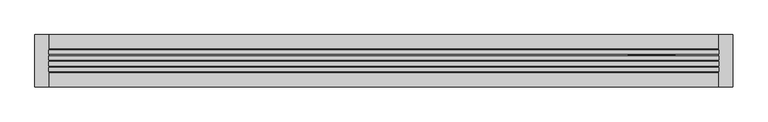
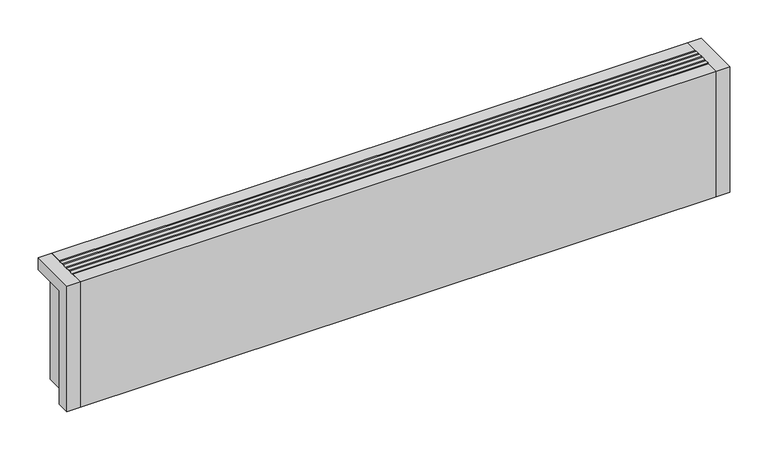
"""IFC4 building model written with IfcOpenShell, lengths in millimetres: proxy geometry."""

import ifcopenshell
import ifcopenshell.guid

model = None  # the IFC model being written
_history = None  # IfcOwnerHistory: only IFC2X3 demands one
_inside = {}  # id of a spatial element -> (the spatial element, [elements in it])
_under = {}  # id of a project, library or spatial element -> (it, [spatial elements below it])
_declared = {}  # id of a project -> (the project, [libraries it declares])
_typed = {}  # id of a type object -> (the type object, [elements of that type])
_made_of = {}  # id of a material, layer set ... -> (it, [elements and type objects made of it])


def new_model(schema):
    """Start an empty IFC model of exactly this schema.

    Asked for "IFC4X3", IfcOpenShell would pick the latest addendum, in which some entities
    have other attributes; the version numbers below select the first issue.
    IFC2X3 requires an IfcOwnerHistory on every rooted entity: one is made here for all.
    """
    global model, _history
    if schema == "IFC4X3":
        model = ifcopenshell.file(schema_version=(4, 3, 0, 0))
    else:
        model = ifcopenshell.file(schema=schema)
    _inside.clear()
    _under.clear()
    _declared.clear()
    _typed.clear()
    _made_of.clear()
    _history = None
    if model.schema == "IFC2X3":
        org = make("IfcOrganization", Name="unknown")
        user = make(
            "IfcPersonAndOrganization",
            ThePerson=make("IfcPerson", FamilyName="unknown"),
            TheOrganization=org,
        )
        app = make(
            "IfcApplication",
            ApplicationDeveloper=org,
            Version="unknown",
            ApplicationFullName="unknown",
            ApplicationIdentifier="unknown",
        )
        _history = make(
            "IfcOwnerHistory",
            OwningUser=user,
            OwningApplication=app,
            ChangeAction="ADDED",
            CreationDate=0,
        )
    return model


def make(cls, **values):
    """One entity of the class cls with the attributes given. An attribute that is None is left unset."""
    return model.create_entity(
        cls, **{name: value for name, value in values.items() if value is not None}
    )


def rooted(cls, **values):
    """An entity with a GlobalId (a new one), such as an element, a storey or a relation."""
    return make(cls, GlobalId=ifcopenshell.guid.new(), OwnerHistory=_history, **values)


def si_unit(unit_type, name, prefix=None):
    """IfcSIUnit, for example si_unit("LENGTHUNIT", "METRE", prefix="MILLI")."""
    return make("IfcSIUnit", UnitType=unit_type, Prefix=prefix, Name=name)


def assignment(units):
    """IfcUnitAssignment: the units of a project."""
    return None if units is None else make("IfcUnitAssignment", Units=units)


def point(xyz):
    """IfcCartesianPoint."""
    return None if xyz is None else make("IfcCartesianPoint", Coordinates=xyz)


def direction(xyz):
    """IfcDirection."""
    return None if xyz is None else make("IfcDirection", DirectionRatios=xyz)


def frame(location, z_axis=None, x_axis=None):
    """IfcAxis2Placement3D, a coordinate frame: its origin and axes. An axis left out is left unset."""
    return make(
        "IfcAxis2Placement3D",
        Location=point(location),
        Axis=direction(z_axis),
        RefDirection=direction(x_axis),
    )


def frame_2d(location, x_axis=None):
    """IfcAxis2Placement2D, a coordinate frame in the plane: its origin and x axis."""
    return make(
        "IfcAxis2Placement2D", Location=point(location), RefDirection=direction(x_axis)
    )


def origin():
    """The frame at (0, 0, 0) with its axes left unset."""
    return frame((0.0, 0.0, 0.0))


def origin_with_axes():
    """The frame at (0, 0, 0) with the z axis (0, 0, 1) and the x axis (1, 0, 0) written out."""
    return frame((0.0, 0.0, 0.0), z_axis=(0.0, 0.0, 1.0), x_axis=(1.0, 0.0, 0.0))


def place(relative_to, where):
    """IfcLocalPlacement: puts the frame where relative to a parent placement (None: the world)."""
    return make(
        "IfcLocalPlacement", PlacementRelTo=relative_to, RelativePlacement=where
    )


def context(
    kind, dimensions, precision=None, world=None, true_north=None, identifier=None
):
    """IfcGeometricRepresentationContext, for example the 3D "Model" context."""
    return make(
        "IfcGeometricRepresentationContext",
        ContextIdentifier=identifier,
        ContextType=kind,
        CoordinateSpaceDimension=dimensions,
        Precision=precision,
        WorldCoordinateSystem=world,
        TrueNorth=true_north,
    )


def project(units=None, contexts=None):
    """IfcProject with its units and contexts."""
    return rooted(
        "IfcProject",
        Name="project",
        RepresentationContexts=contexts,
        UnitsInContext=assignment(units),
    )


def spatial(cls, under=None, at=None, **own):
    """A site, building, storey or space (cls), placed at a placement, below another one or the project."""
    s = rooted(cls, ObjectPlacement=at, **own)
    if under is not None:
        _under.setdefault(under.id(), (under, []))[1].append(s)
    return s


def polyline(points):
    """IfcPolyline through the points."""
    return make("IfcPolyline", Points=[point(p) for p in points])


def circle_curve(where, radius):
    """IfcCircle in the frame where."""
    return make("IfcCircle", Position=where, Radius=radius)


def trimmed(basis, trim1, trim2, sense, master):
    """IfcTrimmedCurve: the piece of a basis curve between two trims."""
    return make(
        "IfcTrimmedCurve",
        BasisCurve=basis,
        Trim1=trim1,
        Trim2=trim2,
        SenseAgreement=sense,
        MasterRepresentation=master,
    )


def segment(curve, same_sense, transition):
    """IfcCompositeCurveSegment."""
    return make(
        "IfcCompositeCurveSegment",
        Transition=transition,
        SameSense=same_sense,
        ParentCurve=curve,
    )


def composite_curve(segments, self_intersect=None):
    """IfcCompositeCurve: segments joined end to end."""
    return make("IfcCompositeCurve", Segments=segments, SelfIntersect=self_intersect)


def outline(outer, holes=None, kind="AREA"):
    """IfcArbitraryClosedProfileDef: a profile drawn as a closed curve; with holes, ...WithVoids."""
    if holes is None:
        return make("IfcArbitraryClosedProfileDef", ProfileType=kind, OuterCurve=outer)
    return make(
        "IfcArbitraryProfileDefWithVoids",
        ProfileType=kind,
        OuterCurve=outer,
        InnerCurves=holes,
    )


def extrude(swept, where, along, depth):
    """IfcExtrudedAreaSolid: the profile swept, set in the frame where, extruded along a direction by depth."""
    return make(
        "IfcExtrudedAreaSolid",
        SweptArea=swept,
        Position=where,
        ExtrudedDirection=direction(along),
        Depth=depth,
    )


def shape(context_of_items, identifier, shape_type, items):
    """IfcShapeRepresentation: the items that make up one representation, for example the "Body"."""
    return make(
        "IfcShapeRepresentation",
        ContextOfItems=context_of_items,
        RepresentationIdentifier=identifier,
        RepresentationType=shape_type,
        Items=items,
    )


def source(mapping_origin, context_of_items, identifier, shape_type, items):
    """IfcRepresentationMap: a shape defined once, which mapped items show again and again."""
    return make(
        "IfcRepresentationMap",
        MappingOrigin=mapping_origin,
        MappedRepresentation=shape(context_of_items, identifier, shape_type, items),
    )


def transform(
    local_origin,
    x_axis=None,
    y_axis=None,
    z_axis=None,
    scale=None,
    scale2=None,
    scale3=None,
    uniform=True,
):
    """IfcCartesianTransformationOperator3D, or its non-uniform kind. x_axis, y_axis, z_axis: its Axis1, 2, 3."""
    if uniform:
        return make(
            "IfcCartesianTransformationOperator3D",
            Axis1=direction(x_axis),
            Axis2=direction(y_axis),
            LocalOrigin=point(local_origin),
            Scale=scale,
            Axis3=direction(z_axis),
        )
    return make(
        "IfcCartesianTransformationOperator3DnonUniform",
        Axis1=direction(x_axis),
        Axis2=direction(y_axis),
        LocalOrigin=point(local_origin),
        Scale=scale,
        Axis3=direction(z_axis),
        Scale2=scale2,
        Scale3=scale3,
    )


def mapped(mapping_source, mapping_target):
    """IfcMappedItem: shows the shape of a source again, moved by a transform."""
    return make(
        "IfcMappedItem", MappingSource=mapping_source, MappingTarget=mapping_target
    )


def made_of(thing, what):
    """Note that an element or type object is made of a material, layer set ...; save() writes the relation."""
    if what is not None:
        _made_of.setdefault(what.id(), (what, []))[1].append(thing)
    return thing


def element(
    cls,
    number,
    at=None,
    inside=None,
    cuts=None,
    type_object=None,
    material=None,
    context=None,
    identifier="Body",
    shape_type=None,
    held_by="IfcProductDefinitionShape",
    body=None,
    shapes=None,
    **own,
):
    """One element of the class cls, such as IfcWall. Its Tag is "e" and its number.

    at: its placement. inside: the storey or other place that contains it. cuts: it is an
    opening in that element (IfcRelVoidsElement). A single representation is given by context,
    identifier, shape_type and body (its items); several are given by shapes. held_by: the class
    of the entity that holds the representations. save() writes the other relations.
    """
    e = rooted(cls, Tag="e%d" % number, ObjectPlacement=at, **own)
    if body is not None:
        shapes = [shape(context, identifier, shape_type, body)]
    if shapes is not None:
        e.Representation = make(held_by, Representations=shapes)
    if inside is not None:
        _inside.setdefault(inside.id(), (inside, []))[1].append(e)
    if cuts is not None:
        rooted(
            "IfcRelVoidsElement", RelatingBuildingElement=cuts, RelatedOpeningElement=e
        )
    if type_object is not None:
        _typed.setdefault(type_object.id(), (type_object, []))[1].append(e)
    return made_of(e, material)


def aggregate(whole, parts):
    """IfcRelAggregates: a whole, such as a stair, and the parts it consists of."""
    return rooted("IfcRelAggregates", RelatingObject=whole, RelatedObjects=parts)


def save(model, path):
    """Write the relations noted so far, then the file.

    IfcRelAggregates (storeys below a building ...), IfcRelContainedInSpatialStructure (elements
    in a storey), IfcRelDefinesByType, IfcRelAssociatesMaterial and IfcRelDeclares: one each for
    every whole, place, type object, material and project.
    """
    for whole, parts in _under.values():
        aggregate(whole, parts)
    for where, things in _inside.values():
        rooted(
            "IfcRelContainedInSpatialStructure",
            RelatedElements=things,
            RelatingStructure=where,
        )
    for kind, things in _typed.values():
        rooted("IfcRelDefinesByType", RelatedObjects=things, RelatingType=kind)
    for what, things in _made_of.values():
        rooted("IfcRelAssociatesMaterial", RelatedObjects=things, RelatingMaterial=what)
    for by, libraries in _declared.values():
        rooted("IfcRelDeclares", RelatingContext=by, RelatedDefinitions=libraries)
    model.write(path)


def plane_surface(at):
    """IfcPlane: the flat surface through the origin of the frame at, square to its z axis."""
    return make("IfcPlane", Position=at)


def cylinder_surface(at, radius):
    """IfcCylindricalSurface: all points at the distance radius from the z axis of the frame at."""
    return make("IfcCylindricalSurface", Position=at, Radius=radius)


def revolved_surface(curve, axis_point, axis_direction):
    """IfcSurfaceOfRevolution: the curve turned about the line through axis_point along axis_direction."""
    return make(
        "IfcSurfaceOfRevolution",
        SweptCurve=make("IfcArbitraryOpenProfileDef", ProfileType="CURVE", Curve=curve),
        AxisPosition=make("IfcAxis1Placement", Location=point(axis_point), Axis=direction(axis_direction)),
    )


def advanced_brep(points, edges, surfaces, faces):
    """IfcAdvancedBrep: a solid bounded by faces that lie on surfaces and meet in shared edges.

    An edge is (start, end): straight between two places in points (the first is 0);
    or (start, end, curve); or (start, end, curve, False) where it runs against its curve.
    A face is (place in surfaces, loops), or (place, loops, False) where it looks against
    its surface's normal. A loop lists edges by number (the first is 1), with a minus sign
    where the edge is run from its end to its start. The first loop is the outer one.
    """
    corners = [point(p) for p in points]
    vertices = [make("IfcVertexPoint", VertexGeometry=c) for c in corners]
    made = []
    for start, end, *more in edges:
        made.append(
            make(
                "IfcEdgeCurve",
                EdgeStart=vertices[start],
                EdgeEnd=vertices[end],
                EdgeGeometry=more[0] if more else make("IfcPolyline", Points=[corners[start], corners[end]]),
                SameSense=more[1] if len(more) > 1 else True,
            )
        )
    hull = []
    for where, loops, *sense in faces:
        bounds = []
        for j, loop in enumerate(loops):
            ring = [make("IfcOrientedEdge", EdgeElement=made[abs(k) - 1], Orientation=k > 0) for k in loop]
            bounds.append(
                make(
                    "IfcFaceOuterBound" if j == 0 else "IfcFaceBound",
                    Bound=make("IfcEdgeLoop", EdgeList=ring),
                    Orientation=True,
                )
            )
        hull.append(make("IfcAdvancedFace", Bounds=bounds, FaceSurface=surfaces[where], SameSense=sense[0] if sense else True))
    return make("IfcAdvancedBrep", Outer=make("IfcClosedShell", CfsFaces=hull))


def mechanical_equipment_61b9959f(model_context):
    return source(origin(), model_context, "Body", "SolidModel", [
        advanced_brep(
        [(850.0, 7.5, 19.5), (850.0, 7.5, 34.5), (916.0, 7.5, 19.5), (916.0, 7.5, 34.5), (917.0, 7.5, 19.5), (917.0, 7.5, 34.5)],
        [
            (0, 1, circle_curve(frame((850.0, 7.5, 27.0), z_axis=(-1.0, 0.0, 0.0), x_axis=(0.0, 0.0, 1.0)), 7.5)),
            (1, 0, circle_curve(frame((850.0, 7.5, 27.0), z_axis=(-1.0, 0.0, 0.0), x_axis=(0.0, 0.0, 1.0)), 7.5)),
            (0, 2),
            (2, 3, circle_curve(frame((916.0, 7.5, 27.0), z_axis=(-1.0, 0.0, 0.0), x_axis=(0.0, 0.0, 1.0)), 7.5)),
            (3, 1),
            (3, 2, circle_curve(frame((916.0, 7.5, 27.0), z_axis=(-1.0, 0.0, 0.0), x_axis=(0.0, 0.0, 1.0)), 7.5)),
            (4, 5, circle_curve(frame((917.0, 7.5, 27.0), z_axis=(1.0, 0.0, 0.0), x_axis=(0.0, 0.0, 1.0)), 7.5)),
            (5, 4, circle_curve(frame((917.0, 7.5, 27.0), z_axis=(1.0, 0.0, 0.0), x_axis=(0.0, 0.0, 1.0)), 7.5)),
            (2, 4),
            (5, 3),
        ],
        [
            plane_surface(frame((850.0, 7.5, 27.0), z_axis=(-1.0, 0.0, 0.0), x_axis=(0.0, -1.0, 0.0))),
            cylinder_surface(frame((850.0, 7.5, 27.0), z_axis=(-1.0, 0.0, 0.0), x_axis=(0.0, 0.0, 1.0)), 7.5),
            plane_surface(frame((917.0, 7.5, 27.0), z_axis=(1.0, 0.0, 0.0), x_axis=(0.0, -1.0, 0.0))),
            cylinder_surface(frame((916.0, 7.5, 27.0), z_axis=(-1.0, 0.0, 0.0), x_axis=(0.0, 0.0, 1.0)), 7.5),
        ],
        [
            (0, [[1, 2]]),
            (1, [[-1, 3, 4, 5]]),
            (1, [[-2, -5, 6, -3]]),
            (2, [[7, 8]]),
            (3, [[-4, 9, -8, 10]]),
            (3, [[-6, -10, -7, -9]]),
        ],
    ),
        advanced_brep(
        [(850.0, 7.5, 69.5), (850.0, 7.5, 84.5), (916.0, 7.5, 69.5), (916.0, 7.5, 84.5), (917.0, 7.5, 69.5), (917.0, 7.5, 84.5)],
        [
            (0, 1, circle_curve(frame((850.0, 7.5, 77.0), z_axis=(-1.0, 0.0, 0.0), x_axis=(0.0, 0.0, 1.0)), 7.5)),
            (1, 0, circle_curve(frame((850.0, 7.5, 77.0), z_axis=(-1.0, 0.0, 0.0), x_axis=(0.0, 0.0, 1.0)), 7.5)),
            (0, 2),
            (2, 3, circle_curve(frame((916.0, 7.5, 77.0), z_axis=(-1.0, 0.0, 0.0), x_axis=(0.0, 0.0, 1.0)), 7.5)),
            (3, 1),
            (3, 2, circle_curve(frame((916.0, 7.5, 77.0), z_axis=(-1.0, 0.0, 0.0), x_axis=(0.0, 0.0, 1.0)), 7.5)),
            (4, 5, circle_curve(frame((917.0, 7.5, 77.0), z_axis=(1.0, 0.0, 0.0), x_axis=(0.0, 0.0, 1.0)), 7.5)),
            (5, 4, circle_curve(frame((917.0, 7.5, 77.0), z_axis=(1.0, 0.0, 0.0), x_axis=(0.0, 0.0, 1.0)), 7.5)),
            (2, 4),
            (5, 3),
        ],
        [
            plane_surface(frame((850.0, 7.5, 77.0), z_axis=(-1.0, 0.0, 0.0), x_axis=(0.0, -1.0, 0.0))),
            cylinder_surface(frame((850.0, 7.5, 77.0), z_axis=(-1.0, 0.0, 0.0), x_axis=(0.0, 0.0, 1.0)), 7.5),
            plane_surface(frame((917.0, 7.5, 77.0), z_axis=(1.0, 0.0, 0.0), x_axis=(0.0, -1.0, 0.0))),
            cylinder_surface(frame((916.0, 7.5, 77.0), z_axis=(-1.0, 0.0, 0.0), x_axis=(0.0, 0.0, 1.0)), 7.5),
        ],
        [
            (0, [[1, 2]]),
            (1, [[-1, 3, 4, 5]]),
            (1, [[-2, -5, 6, -3]]),
            (2, [[7, 8]]),
            (3, [[-4, 9, -8, 10]]),
            (3, [[-6, -10, -7, -9]]),
        ],
    ),
        extrude(outline(polyline([(20.0, -1.1666667), (980.0, -1.1666667), (980.0, -7.1666667), (20.0, -7.1666667), (20.0, -1.1666667)])), frame((0.0, 0.0, 182.0), z_axis=(0.0, 0.0, 1.0), x_axis=(1.0, 0.0, 0.0)), (0.0, 0.0, 1.0), 18.0),
        extrude(outline(polyline([(20.0, 7.1666667), (980.0, 7.1666667), (980.0, 1.1666667), (20.0, 1.1666667), (20.0, 7.1666667)])), frame((0.0, 0.0, 182.0), z_axis=(0.0, 0.0, 1.0), x_axis=(1.0, 0.0, 0.0)), (0.0, 0.0, 1.0), 18.0),
        extrude(outline(polyline([(20.0, -9.5), (980.0, -9.5), (980.0, -15.5), (20.0, -15.5), (20.0, -9.5)])), frame((0.0, 0.0, 182.0), z_axis=(0.0, 0.0, 1.0), x_axis=(1.0, 0.0, 0.0)), (0.0, 0.0, 1.0), 18.0),
        extrude(outline(polyline([(20.0, 15.5), (980.0, 15.5), (980.0, 9.5), (20.0, 9.5), (20.0, 15.5)])), frame((0.0, 0.0, 182.0), z_axis=(0.0, 0.0, 1.0), x_axis=(1.0, 0.0, 0.0)), (0.0, 0.0, 1.0), 18.0),
        extrude(outline(polyline([(980.0, 17.5), (20.0, 17.5), (20.0, 37.5), (980.0, 37.5), (980.0, 17.5)])), origin_with_axes(), (0.0, 0.0, 1.0), 181.0),
        advanced_brep(
        [(980.0, -37.5, 200.0), (1000.0, -37.5, 200.0), (1000.0, 37.5, 200.0), (980.0, 37.5, 200.0), (20.0, 37.5, 200.0), (0.0, 37.5, 200.0), (0.0, -37.5, 200.0), (20.0, -37.5, 200.0), (20.0, -37.5, 0.0), (0.0, -37.5, 0.0), (0.0, -17.5, 0.0), (18.0, -17.5, 0.0), (18.0, 37.5, 0.0), (20.0, 37.5, 0.0), (20.0, 17.5, 0.0), (894.0, 17.5, 0.0), (884.0, 7.5, 0.0), (904.0, 7.5, 0.0), (944.0, 17.5, 0.0), (934.0, 7.5, 0.0), (954.0, 7.5, 0.0), (980.0, 17.5, 0.0), (980.0, 37.5, 0.0), (982.0, 37.5, 0.0), (982.0, -17.5, 0.0), (1000.0, -17.5, 0.0), (1000.0, -37.5, 0.0), (980.0, -37.5, 0.0), (980.0, -17.5, 0.0), (20.0, -17.5, 0.0), (20.0, -17.5, 181.0), (20.0, 17.5, 181.0), (980.0, -17.5, 20.0), (850.0, -17.5, 20.0), (850.0, -17.5, 181.0), (980.0, 17.5, 20.0), (980.0, 14.6414284, 20.0), (980.0, 17.5, 27.0), (980.0, -2.5, 27.0), (980.0, 0.3585716, 20.0), (980.0, -2.5, 77.0), (980.0, 17.5, 77.0), (1000.0, -17.5, 181.0), (1000.0, 37.5, 181.0), (982.0, 37.5, 181.0), (850.0, 17.5, 181.0), (850.0, 17.5, 20.0), (18.0, 37.5, 181.0), (0.0, 37.5, 181.0), (0.0, -17.5, 181.0), (982.0, -17.5, 181.0), (982.0, 17.5, 27.0), (982.0, -2.5, 27.0), (982.0, 17.5, 77.0), (982.0, -2.5, 77.0), (18.0, -17.5, 181.0), (884.0, 7.5, 5.0), (904.0, 7.5, 5.0), (934.0, 7.5, 5.0), (954.0, 7.5, 5.0)],
        [
            (0, 1),
            (1, 2),
            (2, 3),
            (3, 0),
            (4, 5),
            (5, 6),
            (6, 7),
            (7, 4),
            (8, 9),
            (9, 10),
            (10, 11),
            (11, 12),
            (12, 13),
            (13, 14),
            (14, 15),
            (15, 16, circle_curve(frame((894.0, 7.5, 0.0), z_axis=(0.0, 0.0, 1.0), x_axis=(1.0, 0.0, 0.0)), 10.0)),
            (16, 17, circle_curve(frame((894.0, 7.5, 0.0), z_axis=(0.0, 0.0, 1.0), x_axis=(1.0, 0.0, 0.0)), 10.0)),
            (17, 15, circle_curve(frame((894.0, 7.5, 0.0), z_axis=(0.0, 0.0, 1.0), x_axis=(1.0, 0.0, 0.0)), 10.0)),
            (15, 18),
            (18, 19, circle_curve(frame((944.0, 7.5, 0.0), z_axis=(0.0, 0.0, 1.0), x_axis=(1.0, 0.0, 0.0)), 10.0)),
            (19, 20, circle_curve(frame((944.0, 7.5, 0.0), z_axis=(0.0, 0.0, 1.0), x_axis=(1.0, 0.0, 0.0)), 10.0)),
            (20, 18, circle_curve(frame((944.0, 7.5, 0.0), z_axis=(0.0, 0.0, 1.0), x_axis=(1.0, 0.0, 0.0)), 10.0)),
            (18, 21),
            (21, 22),
            (22, 23),
            (23, 24),
            (24, 25),
            (25, 26),
            (26, 27),
            (27, 28),
            (28, 29),
            (29, 8),
            (13, 4),
            (7, 8),
            (29, 30),
            (30, 31),
            (31, 14),
            (28, 32),
            (32, 33),
            (33, 34),
            (34, 30),
            (21, 35),
            (35, 36),
            (36, 37, circle_curve(frame((980.0, 7.5, 27.0), z_axis=(1.0, 0.0, 0.0), x_axis=(0.0, 1.0, 0.0)), 10.0)),
            (37, 38, circle_curve(frame((980.0, 7.5, 27.0), z_axis=(1.0, 0.0, 0.0), x_axis=(0.0, 1.0, 0.0)), 10.0)),
            (38, 39, circle_curve(frame((980.0, 7.5, 27.0), z_axis=(1.0, 0.0, 0.0), x_axis=(0.0, 1.0, 0.0)), 10.0)),
            (39, 32),
            (27, 0),
            (3, 22),
            (40, 41, circle_curve(frame((980.0, 7.5, 77.0), z_axis=(1.0, 0.0, 0.0), x_axis=(0.0, 1.0, 0.0)), 10.0)),
            (41, 40, circle_curve(frame((980.0, 7.5, 77.0), z_axis=(1.0, 0.0, 0.0), x_axis=(0.0, 1.0, 0.0)), 10.0)),
            (26, 1),
            (25, 42),
            (42, 43),
            (43, 2),
            (43, 44),
            (44, 23),
            (31, 45),
            (45, 46),
            (46, 35),
            (12, 47),
            (47, 48),
            (48, 5),
            (48, 49),
            (49, 10),
            (9, 6),
            (34, 45),
            (46, 33),
            (39, 36),
            (42, 50),
            (50, 44),
            (50, 24),
            (51, 52, circle_curve(frame((982.0, 7.5, 27.0), z_axis=(-1.0, 0.0, 0.0), x_axis=(0.0, 1.0, 0.0)), 10.0)),
            (52, 51, circle_curve(frame((982.0, 7.5, 27.0), z_axis=(-1.0, 0.0, 0.0), x_axis=(0.0, 1.0, 0.0)), 10.0)),
            (53, 54, circle_curve(frame((982.0, 7.5, 77.0), z_axis=(-1.0, 0.0, 0.0), x_axis=(0.0, 1.0, 0.0)), 10.0)),
            (54, 53, circle_curve(frame((982.0, 7.5, 77.0), z_axis=(-1.0, 0.0, 0.0), x_axis=(0.0, 1.0, 0.0)), 10.0)),
            (47, 55),
            (55, 49),
            (11, 55),
            (39, 36, circle_curve(frame((980.0, 7.5, 27.0), z_axis=(1.0, 0.0, 0.0), x_axis=(0.0, 1.0, 0.0)), 10.0)),
            (38, 52),
            (51, 37),
            (40, 54),
            (53, 41),
            (56, 57, circle_curve(frame((894.0, 7.5, 5.0), z_axis=(0.0, 0.0, -1.0), x_axis=(1.0, 0.0, 0.0)), 10.0)),
            (57, 56, circle_curve(frame((894.0, 7.5, 5.0), z_axis=(0.0, 0.0, -1.0), x_axis=(1.0, 0.0, 0.0)), 10.0)),
            (58, 59, circle_curve(frame((944.0, 7.5, 5.0), z_axis=(0.0, 0.0, -1.0), x_axis=(1.0, 0.0, 0.0)), 10.0)),
            (59, 58, circle_curve(frame((944.0, 7.5, 5.0), z_axis=(0.0, 0.0, -1.0), x_axis=(1.0, 0.0, 0.0)), 10.0)),
            (57, 17),
            (16, 56),
            (59, 20),
            (19, 58),
        ],
        [
            plane_surface(frame((20.0, -37.5, 200.0), z_axis=(0.0, 0.0, 1.0), x_axis=(0.0, 1.0, 0.0))),
            plane_surface(frame((20.0, -37.5, 0.0), z_axis=(0.0, 0.0, -1.0), x_axis=(0.0, -1.0, 0.0))),
            plane_surface(frame((20.0, -37.5, 200.0), z_axis=(1.0, 0.0, 0.0), x_axis=(0.0, 0.0, -1.0))),
            plane_surface(frame((20.0, -17.5, 200.0), z_axis=(0.0, -1.0, 0.0), x_axis=(0.0, 0.0, -1.0))),
            plane_surface(frame((980.0, -17.5, 200.0), z_axis=(-1.0, 0.0, 0.0), x_axis=(0.0, 0.0, -1.0))),
            plane_surface(frame((980.0, -37.5, 200.0), z_axis=(0.0, -1.0, 0.0), x_axis=(0.0, 0.0, -1.0))),
            plane_surface(frame((1000.0, -37.5, 200.0), z_axis=(1.0, 0.0, 0.0), x_axis=(0.0, 0.0, -1.0))),
            plane_surface(frame((1000.0, 37.5, 200.0), z_axis=(0.0, 1.0, 0.0), x_axis=(0.0, 0.0, -1.0))),
            plane_surface(frame((980.0, 17.5, 200.0), z_axis=(0.0, 1.0, 0.0), x_axis=(0.0, 0.0, -1.0))),
            plane_surface(frame((20.0, 37.5, 200.0), z_axis=(0.0, 1.0, 0.0), x_axis=(0.0, 0.0, -1.0))),
            plane_surface(frame((0.0, 37.5, 200.0), z_axis=(-1.0, 0.0, 0.0), x_axis=(0.0, 0.0, -1.0))),
            plane_surface(frame((0.0, -37.5, 200.0), z_axis=(0.0, -1.0, 0.0), x_axis=(0.0, 0.0, -1.0))),
            plane_surface(frame((20.0, 17.5, 181.0), z_axis=(0.0, 0.0, 1.0), x_axis=(1.0, 0.0, 0.0))),
            plane_surface(frame((850.0, 17.5, 20.0), z_axis=(0.0, 0.0, 1.0), x_axis=(0.0, 1.0, 0.0))),
            plane_surface(frame((850.0, 17.5, 200.0), z_axis=(1.0, 0.0, 0.0), x_axis=(0.0, 0.0, -1.0))),
            plane_surface(frame((982.0, 37.5, 181.0), z_axis=(0.0, 0.0, -1.0), x_axis=(0.0, -1.0, 0.0))),
            plane_surface(frame((982.0, 37.5, 181.0), z_axis=(1.0, 0.0, 0.0), x_axis=(0.0, 0.0, -1.0))),
            plane_surface(frame((982.0, -17.5, 181.0), z_axis=(0.0, 1.0, 0.0), x_axis=(0.0, 0.0, -1.0))),
            plane_surface(frame((0.0, 37.5, 181.0), z_axis=(0.0, 0.0, -1.0), x_axis=(-1.0, 0.0, 0.0))),
            plane_surface(frame((18.0, -17.5, 181.0), z_axis=(-1.0, 0.0, 0.0), x_axis=(0.0, 0.0, -1.0))),
            plane_surface(frame((0.0, -17.5, 181.0), z_axis=(0.0, 1.0, 0.0), x_axis=(0.0, 0.0, -1.0))),
            plane_surface(frame((980.0, 17.5, 27.0), z_axis=(1.0, 0.0, 0.0), x_axis=(0.0, 0.0, -1.0))),
            revolved_surface(polyline([(982.0, 17.5, 27.0), (980.0, 17.5, 27.0)]), (980.0, 7.5, 27.0), (1.0, 0.0, 0.0)),
            revolved_surface(polyline([(982.0, 17.5, 77.0), (980.0, 17.5, 77.0)]), (0.0, 7.5, 77.0), (1.0, 0.0, 0.0)),
            plane_surface(frame((904.0, 7.5, 5.0), z_axis=(0.0, 0.0, -1.0), x_axis=(0.0, 1.0, 0.0))),
            revolved_surface(polyline([(904.0, 7.5, 5.0), (904.0, 7.5, 0.0)]), (894.0, 7.5, 0.0), (0.0, 0.0, 1.0)),
            revolved_surface(polyline([(954.0, 7.5, 5.0), (954.0, 7.5, 0.0)]), (944.0, 7.5, 0.0), (0.0, 0.0, 1.0)),
        ],
        [
            (0, [[1, 2, 3, 4]]),
            (0, [[5, 6, 7, 8]]),
            (1, [[9, 10, 11, 12, 13, 14, 15, 16, 17, 18, 19, 20, 21, 22, 23, 24, 25, 26, 27, 28, 29, 30, 31, 32]]),
            (2, [[-14, 33, -8, 34, -32, 35, 36, 37]]),
            (3, [[-31, 38, 39, 40, 41, -35]]),
            (4, [[-24, 42, 43, 44, 45, 46, 47, -38, -30, 48, -4, 49], [50, 51]]),
            (5, [[-1, -48, -29, 52]]),
            (6, [[-2, -52, -28, 53, 54, 55]]),
            (7, [[-3, -55, 56, 57, -25, -49]]),
            (8, [[-37, 58, 59, 60, -42, -23, -19, -15]]),
            (9, [[-5, -33, -13, 61, 62, 63]]),
            (10, [[-6, -63, 64, 65, -10, 66]]),
            (11, [[-7, -66, -9, -34]]),
            (12, [[-36, -41, 67, -58]]),
            (13, [[68, -39, -47, 69, -43, -60]]),
            (14, [[-68, -59, -67, -40]]),
            (15, [[70, 71, -56, -54]]),
            (16, [[-71, 72, -26, -57], [73, 74], [75, 76]]),
            (17, [[-70, -53, -27, -72]]),
            (18, [[77, 78, -64, -62]]),
            (19, [[-77, -61, -12, 79]]),
            (20, [[-78, -79, -11, -65]]),
            (21, [[80, -69]]),
            (22, [[-80, -46, 81, -73, 82, -44]]),
            (22, [[-81, -45, -82, -74]]),
            (23, [[83, -75, 84, -50]]),
            (23, [[-83, -51, -84, -76]]),
            (24, [[85, 86]]),
            (24, [[87, 88]]),
            (25, [[-86, 89, -17, 90]]),
            (25, [[-85, -90, -16, -18, -89]]),
            (26, [[-88, 91, -21, 92]]),
            (26, [[-87, -92, -20, -22, -91]]),
        ],
    ),
        extrude(outline(polyline([(980.0, 17.5), (20.0, 17.5), (20.0, 37.5), (980.0, 37.5), (980.0, 17.5)])), frame((0.0, 0.0, 181.0), z_axis=(0.0, 0.0, 1.0), x_axis=(1.0, 0.0, 0.0)), (0.0, 0.0, 1.0), 19.0),
        extrude(outline(polyline([(980.0, -37.5), (20.0, -37.5), (20.0, -17.5), (980.0, -17.5), (980.0, -37.5)])), origin_with_axes(), (0.0, 0.0, 1.0), 200.0),
        extrude(outline(composite_curve([segment(trimmed(circle_curve(frame_2d((894.0, 7.5)), 10.0), [point((884.0, 7.5))], [point((904.0, 7.5))], False, "CARTESIAN"), True, "CONTINUOUS"), segment(trimmed(circle_curve(frame_2d((894.0, 7.5)), 10.0), [point((904.0, 7.5))], [point((884.0, 7.5))], False, "CARTESIAN"), True, "CONTINUOUS")], self_intersect=False)), origin_with_axes(), (0.0, 0.0, 1.0), 5.0),
        extrude(outline(composite_curve([segment(trimmed(circle_curve(frame_2d((944.0, 7.5)), 10.0), [point((934.0, 7.5))], [point((954.0, 7.5))], False, "CARTESIAN"), True, "CONTINUOUS"), segment(trimmed(circle_curve(frame_2d((944.0, 7.5)), 10.0), [point((954.0, 7.5))], [point((934.0, 7.5))], False, "CARTESIAN"), True, "CONTINUOUS")], self_intersect=False)), origin_with_axes(), (0.0, 0.0, 1.0), 5.0),
    ])


if __name__ == "__main__":
    model = new_model("IFC4")
    model_context = context("Model", 3, world=origin())
    ifc_project = project(units=[si_unit("LENGTHUNIT", "METRE", prefix="MILLI")], contexts=[model_context])
    site = spatial("IfcSite", under=ifc_project)
    building = spatial("IfcBuilding", under=site)
    placement = place(None, origin())
    mechanical_equipment_shape = mechanical_equipment_61b9959f(model_context)
    element("IfcBuildingElementProxy", 1, Name="Mechanical Equipment", at=placement, inside=building, context=model_context, shape_type="MappedRepresentation", body=[
        mapped(mechanical_equipment_shape, transform((0.0, 0.0, 0.0), x_axis=(1.0, 0.0, 0.0), y_axis=(0.0, 1.0, 0.0), z_axis=(0.0, 0.0, 1.0))),
    ])
    save(model, "model.ifc")
